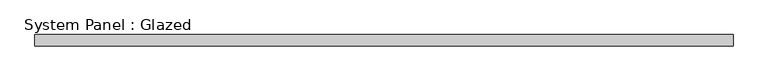
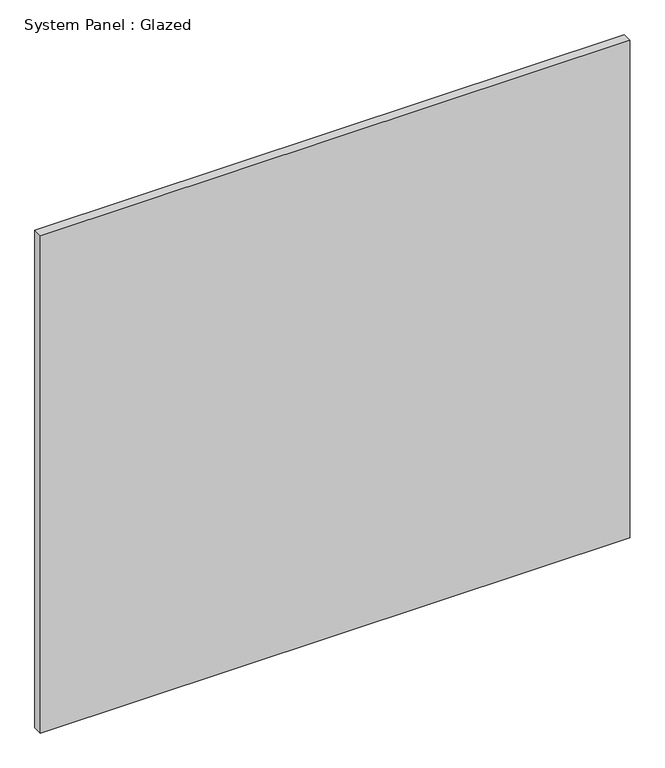
"""IFC4 building model written with IfcOpenShell, lengths in millimetres: plate geometry, System Panel : Glazed."""

from ifc_helpers import new_model, si_unit, origin, origin_with_axes, place, context, project, spatial, polyline, outline, extrude, source, transform, mapped, element, save


def system_panel_glazed_7e20426a(model_context):
    return source(origin(), model_context, "Body", "SweptSolid", [
        extrude(outline(polyline([(781.562846, 24.5), (-781.562846, 24.5), (-781.562846, 49.5), (781.562846, 49.5), (781.562846, 24.5)])), origin_with_axes(), (0.0, 0.0, 1.0), 1395.0),
    ])


if __name__ == "__main__":
    model = new_model("IFC4")
    model_context = context("Model", 3, world=origin())
    ifc_project = project(units=[si_unit("LENGTHUNIT", "METRE", prefix="MILLI")], contexts=[model_context])
    site = spatial("IfcSite", under=ifc_project)
    building = spatial("IfcBuilding", under=site)
    placement = place(None, origin())
    system_panel_glazed_shape = system_panel_glazed_7e20426a(model_context)
    element("IfcPlate", 1, ObjectType="System Panel : Glazed", at=placement, inside=building, context=model_context, shape_type="MappedRepresentation", body=[
        mapped(system_panel_glazed_shape, transform((0.0, 0.0, 0.0), x_axis=(1.0, 0.0, 0.0), y_axis=(0.0, 1.0, 0.0), z_axis=(0.0, 0.0, 1.0))),
    ])
    save(model, "model.ifc")
